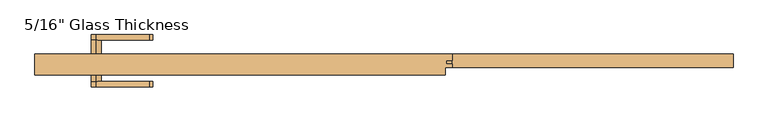
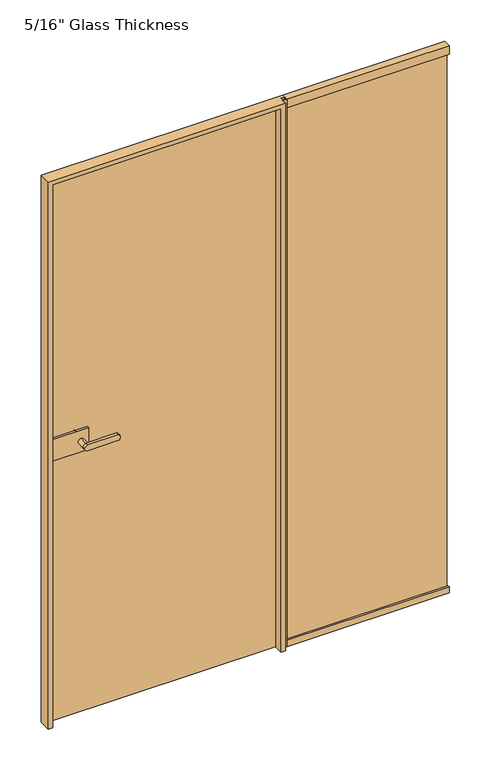
"""IFC4 building model written with IfcOpenShell, lengths in millimetres: door geometry."""

from ifc_helpers import new_model, si_unit, point, frame, frame_2d, origin, place, context, project, spatial, polyline, circle_curve, ellipse_curve, trimmed, segment, composite_curve, outline, extrude, faceted_brep, source, transform, mapped, element, save
from ifc_brep_helpers import plane_surface, cylinder_surface, extruded_surface, advanced_brep


def door_c9c7aede(model_context):
    return source(origin(), model_context, "Body", "SolidModel", [
        extrude(outline(composite_curve([segment(trimmed(circle_curve(frame_2d((1150.0, -659.6832884)), 11.9886308), [point((1161.9886308, -659.6832884))], [point((1138.0113692, -659.6832884))], False, "CARTESIAN"), True, "CONTINUOUS"), segment(trimmed(circle_curve(frame_2d((1150.0, -659.6832884)), 11.9886308), [point((1138.0113692, -659.6832884))], [point((1161.9886308, -659.6832884))], False, "CARTESIAN"), True, "CONTINUOUS")], self_intersect=False)), frame((0.0, 21.06, 0.0), z_axis=(0.0, 1.0, 0.0), x_axis=(0.0, 0.0, 1.0)), (0.0, 0.0, 1.0), 33.5),
        advanced_brep(
        [(-659.6832884, 54.56, 1161.9886308), (-659.6832884, 54.56, 1138.0113692), (-538.0214958, 54.56, 1138.0113692), (-538.0214958, 54.56, 1161.9886308), (-659.6832884, 67.06, 1161.9886308), (-538.0214958, 67.06, 1161.9886308), (-538.0214958, 67.06, 1138.0113692), (-659.6832884, 67.06, 1138.0113692)],
        [
            (0, 1, circle_curve(frame((-659.6832884, 54.56, 1150.0), z_axis=(0.0, -1.0, 0.0), x_axis=(0.0, 0.0, -1.0)), 11.9886308)),
            (1, 2),
            (2, 3, ellipse_curve(frame((-538.0214958, 54.56, 1150.0), z_axis=(0.0, -1.0, 0.0), x_axis=(0.0, 0.0, 1.0)), 11.9886308, 7.9050795)),
            (3, 0),
            (4, 5),
            (5, 6, ellipse_curve(frame((-538.0214958, 67.06, 1150.0), z_axis=(0.0, 1.0, 0.0), x_axis=(0.0, 0.0, 1.0)), 11.9886308, 7.9050795)),
            (6, 7),
            (7, 4, circle_curve(frame((-659.6832884, 67.06, 1150.0), z_axis=(0.0, 1.0, 0.0), x_axis=(0.0, 0.0, -1.0)), 11.9886308)),
            (3, 5),
            (4, 0),
            (2, 6),
            (1, 7),
        ],
        [
            plane_surface(frame((-538.0214958, 54.56, 1161.9886308), z_axis=(0.0, -1.0, 0.0), x_axis=(1.0, 0.0, 0.0))),
            plane_surface(frame((-538.0214958, 67.06, 1161.9886308), z_axis=(0.0, 1.0, 0.0), x_axis=(-1.0, 0.0, 0.0))),
            plane_surface(frame((-659.6832884, 54.56, 1161.9886308), z_axis=(0.0, 0.0, 1.0), x_axis=(0.0, 1.0, 0.0))),
            extruded_surface(trimmed(ellipse_curve(frame((-538.0214958, 67.06, 1150.0), z_axis=(0.0, 1.0, 0.0), x_axis=(0.0, 0.0, 1.0)), 11.9886308, 7.9050795), [point((-538.0214958, 67.06, 1161.9886308))], [point((-538.0214958, 67.06, 1138.0113692))], True, "CARTESIAN"), (0.0, 12.5, 0.0), 12.5),
            plane_surface(frame((-538.0214958, 54.56, 1138.0113692), z_axis=(0.0, 0.0, -1.0), x_axis=(0.0, 1.0, 0.0))),
            cylinder_surface(frame((-659.6832884, 67.06, 1150.0), z_axis=(0.0, -1.0, 0.0), x_axis=(0.0, 0.0, -1.0)), 11.9886308),
        ],
        [
            (0, [[1, 2, 3, 4]]),
            (1, [[5, 6, 7, 8]]),
            (2, [[9, -5, 10, -4]]),
            (3, [[11, -6, -9, -3]]),
            (4, [[12, -7, -11, -2]]),
            (5, [[-10, -8, -12, -1]]),
        ],
    ),
        extrude(outline(polyline([(-763.6832884, 11.06), (-763.6832884, 21.06), (-629.6832884, 21.06), (-629.6832884, 11.06), (-763.6832884, 11.06)])), frame((0.0, 0.0, 1105.0), z_axis=(0.0, 0.0, 1.0), x_axis=(1.0, 0.0, 0.0)), (0.0, 0.0, 1.0), 90.0),
        extrude(outline(polyline([(-779.6832884, -6.94), (-779.6832884, 3.06), (-629.6832884, 3.06), (-629.6832884, -6.94), (-779.6832884, -6.94)])), frame((0.0, 0.0, 1105.0), z_axis=(0.0, 0.0, 1.0), x_axis=(1.0, 0.0, 0.0)), (0.0, 0.0, 1.0), 90.0),
        advanced_brep(
        [(-659.6832884, -6.94, 1161.9886308), (-659.6832884, -6.94, 1138.0113692), (-659.6832884, -40.4398825, 1161.9886308), (-659.6832884, -40.4398825, 1138.0113692), (-659.6832884, -52.9399695, 1161.9886308), (-659.6832884, -52.9399695, 1138.0113692), (-538.0214958, -52.9399695, 1138.0113692), (-538.0214958, -52.9399695, 1161.9886308), (-538.0214958, -40.4398825, 1161.9886308), (-538.0214958, -40.4398825, 1138.0113692)],
        [
            (0, 1, circle_curve(frame((-659.6832884, -6.94, 1150.0), z_axis=(0.0, 1.0, 0.0), x_axis=(0.0, 0.0, -1.0)), 11.9886308)),
            (1, 0, circle_curve(frame((-659.6832884, -6.94, 1150.0), z_axis=(0.0, 1.0, 0.0), x_axis=(0.0, 0.0, -1.0)), 11.9886308)),
            (0, 2),
            (2, 3, circle_curve(frame((-659.6832884, -40.4398825, 1150.0), z_axis=(0.0, 1.0, 0.0), x_axis=(0.0, 0.0, -1.0)), 11.9886308)),
            (3, 1),
            (3, 2, circle_curve(frame((-659.6832884, -40.4398825, 1150.0), z_axis=(0.0, 1.0, 0.0), x_axis=(0.0, 0.0, -1.0)), 11.9886308)),
            (4, 5, circle_curve(frame((-659.6832884, -52.9399695, 1150.0), z_axis=(0.0, -1.0, 0.0), x_axis=(0.0, 0.0, -1.0)), 11.9886308)),
            (5, 6),
            (6, 7, ellipse_curve(frame((-538.0214958, -52.9399695, 1150.0), z_axis=(0.0, -1.0, 0.0), x_axis=(0.0, 0.0, 1.0)), 11.9886308, 7.9050795)),
            (7, 4),
            (2, 8),
            (8, 9, ellipse_curve(frame((-538.0214958, -40.4398825, 1150.0), z_axis=(0.0, 1.0, 0.0), x_axis=(0.0, 0.0, 1.0)), 11.9886308, 7.9050795)),
            (9, 3),
            (7, 8),
            (2, 4),
            (6, 9),
            (5, 3),
        ],
        [
            plane_surface(frame((-659.6832884, -6.94, 1138.0113692), z_axis=(0.0, 1.0, 0.0), x_axis=(1.0, 0.0, 0.0))),
            cylinder_surface(frame((-659.6832884, -6.94, 1150.0), z_axis=(0.0, -1.0, 0.0), x_axis=(0.0, 0.0, -1.0)), 11.9886308),
            plane_surface(frame((-538.0214958, -52.9399695, 1161.9886308), z_axis=(0.0, -1.0, 0.0), x_axis=(1.0, 0.0, 0.0))),
            plane_surface(frame((-538.0214958, -40.4398825, 1161.9886308), z_axis=(0.0, 1.0, 0.0), x_axis=(-1.0, 0.0, 0.0))),
            plane_surface(frame((-659.6832884, -52.9399695, 1161.9886308), z_axis=(0.0, 0.0, 1.0), x_axis=(0.0, 1.0, 0.0))),
            extruded_surface(trimmed(ellipse_curve(frame((-538.0214958, -40.4398825, 1150.0), z_axis=(0.0, 1.0, 0.0), x_axis=(0.0, 0.0, 1.0)), 11.9886308, 7.9050795), [point((-538.0214958, -40.4398825, 1161.9886308))], [point((-538.0214958, -40.4398825, 1138.0113692))], True, "CARTESIAN"), (0.0, 12.500087000000004, 0.0), 12.500087000000004),
            plane_surface(frame((-538.0214958, -52.9399695, 1138.0113692), z_axis=(0.0, 0.0, -1.0), x_axis=(0.0, 1.0, 0.0))),
            cylinder_surface(frame((-659.6832884, -40.4398825, 1150.0), z_axis=(0.0, -1.0, 0.0), x_axis=(0.0, 0.0, -1.0)), 11.9886308),
        ],
        [
            (0, [[1, 2]]),
            (1, [[3, 4, 5, -1]]),
            (1, [[-5, 6, -3, -2]]),
            (2, [[7, 8, 9, 10]]),
            (3, [[-4, 11, 12, 13]]),
            (4, [[14, -11, 15, -10]]),
            (5, [[16, -12, -14, -9]]),
            (6, [[17, -13, -16, -8]]),
            (7, [[-15, -6, -17, -7]]),
        ],
    ),
        faceted_brep([(142.3167116, -25.94, 2300.0), (142.3167116, -25.94, 0.0), (142.3167116, -7.94, 0.0), (142.3167116, -7.94, 2300.0), (-770.6832884, 22.06, 0.0), (-770.6832884, 11.06, 0.0), (-783.5832884, 11.06, 0.0), (-783.5832884, -25.94, 0.0), (-800.6832884, -25.94, 0.0), (-800.6832884, 22.06, 0.0), (-770.6832884, 22.06, 2270.0), (112.3167116, 22.06, 2270.0), (112.3167116, 11.06, 2270.0), (-770.6832884, 11.06, 2270.0), (112.3167116, 11.06, 0.0), (125.2167116, 11.06, 0.0), (125.2167116, 11.06, 2282.9), (-783.5832884, 11.06, 2282.9), (125.2167116, -25.94, 2282.9), (-783.5832884, -25.94, 2282.9), (-800.6832884, -25.94, 2300.0), (125.2167116, -25.94, 0.0), (159.3167116, -7.94, 2300.0), (159.3167116, 0.0, 2300.0), (145.3167116, 0.0, 2300.0), (145.3167116, 8.0, 2300.0), (159.3167116, 8.0, 2300.0), (159.3167116, 22.06, 2300.0), (-800.6832884, 22.06, 2300.0), (159.3167116, 22.06, 0.0), (112.3167116, 22.06, 0.0), (159.3167116, 8.0, 0.0), (145.3167116, 8.0, 0.0), (145.3167116, 0.0, 0.0), (159.3167116, 0.0, 0.0), (159.3167116, -7.94, 0.0)], [[[0, 1, 2, 3]], [[4, 5, 6, 7, 8, 9]], [[10, 11, 12, 13]], [[5, 13, 12, 14, 15, 16, 17, 6]], [[16, 18, 19, 17]], [[0, 20, 8, 7, 19, 18, 21, 1]], [[0, 3, 22, 23, 24, 25, 26, 27, 28, 20]], [[9, 28, 27, 29, 30, 11, 10, 4]], [[4, 10, 13, 5]], [[6, 17, 19, 7]], [[8, 20, 28, 9]], [[15, 14, 30, 29, 31, 32, 33, 34, 35, 2, 1, 21]], [[14, 12, 11, 30]], [[26, 31, 29, 27]], [[25, 32, 31, 26]], [[24, 33, 32, 25]], [[23, 34, 33, 24]], [[22, 35, 34, 23]], [[2, 35, 22, 3]], [[21, 18, 16, 15]]]),
        extrude(outline(polyline([(22.06, 0.0), (-7.94, 0.0), (-7.94, 26.0), (0.0, 26.0), (0.0, 13.0), (8.0, 13.0), (8.0, 26.0), (22.06, 26.0), (22.06, 0.0)])), frame((159.3167116, 0.0, 0.0), z_axis=(1.0, 0.0, 0.0), x_axis=(0.0, 1.0, 0.0)), (0.0, 0.0, 1.0), 645.3665768),
        extrude(outline(polyline([(22.06, 2300.0), (22.06, 2265.0), (8.0, 2265.0), (8.0, 2280.0), (0.0, 2280.0), (0.0, 2265.0), (-7.94, 2265.0), (-7.94, 2300.0), (22.06, 2300.0)])), frame((159.3167116, 0.0, 0.0), z_axis=(1.0, 0.0, 0.0), x_axis=(0.0, 1.0, 0.0)), (0.0, 0.0, 1.0), 645.3665768),
        extrude(outline(polyline([(800.6832884, 0.0), (145.3167116, 0.0), (145.3167116, 8.0), (800.6832884, 8.0), (800.6832884, 0.0)])), frame((0.0, 0.0, 13.0), z_axis=(0.0, 0.0, 1.0), x_axis=(1.0, 0.0, 0.0)), (0.0, 0.0, 1.0), 2267.0),
        extrude(outline(polyline([(120.3167116, 3.06), (-779.6832884, 3.06), (-779.6832884, 11.06), (120.3167116, 11.06), (120.3167116, 3.06)])), frame((0.0, 0.0, 7.0), z_axis=(0.0, 0.0, 1.0), x_axis=(1.0, 0.0, 0.0)), (0.0, 0.0, 1.0), 2272.0),
    ])


if __name__ == "__main__":
    model = new_model("IFC4")
    model_context = context("Model", 3, world=origin())
    ifc_project = project(units=[si_unit("LENGTHUNIT", "METRE", prefix="MILLI")], contexts=[model_context])
    site = spatial("IfcSite", under=ifc_project)
    building = spatial("IfcBuilding", under=site)
    placement = place(None, origin())
    door_shape = door_c9c7aede(model_context)
    element("IfcDoor", 1, ObjectType="5/16\" Glass Thickness", at=placement, inside=building, context=model_context, shape_type="MappedRepresentation", body=[
        mapped(door_shape, transform((0.0, 0.0, 0.0), x_axis=(1.0, 0.0, 0.0), y_axis=(0.0, 1.0, 0.0), z_axis=(0.0, 0.0, 1.0))),
    ])
    save(model, "model.ifc")
